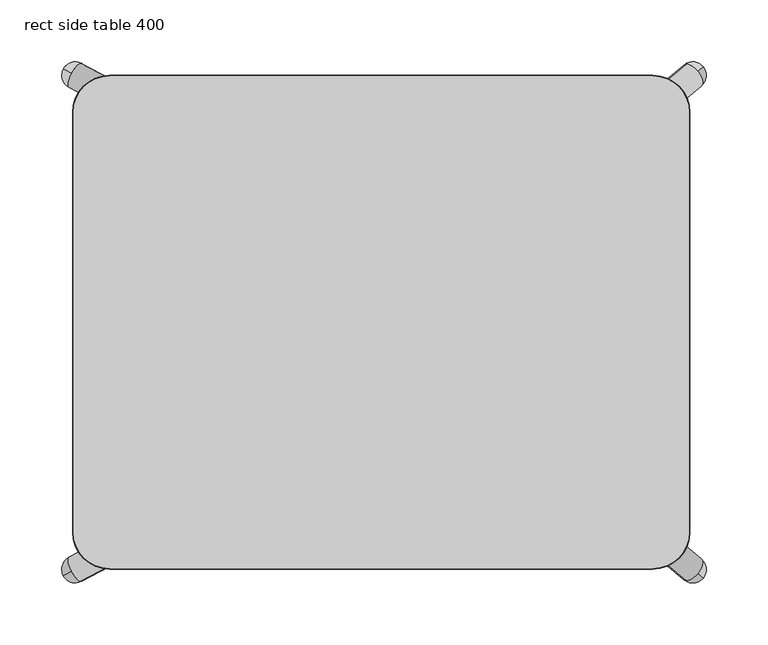
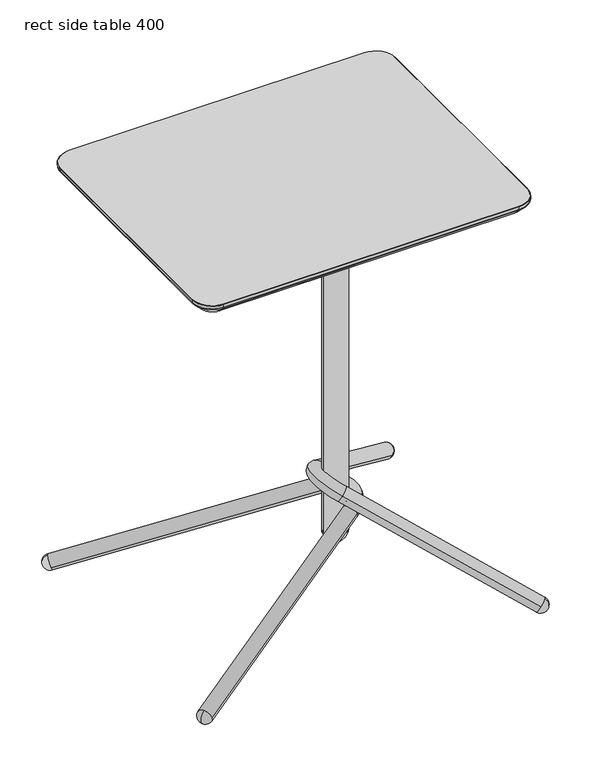
"""IFC4 building model written with IfcOpenShell, lengths in millimetres: furniture geometry, rect side table 400."""

from ifc_helpers import new_model, si_unit, point, frame, origin, place, context, project, spatial, polyline, circle_curve, ellipse_curve, trimmed, source, transform, mapped, element, save
from ifc_brep_helpers import plane_surface, cylinder_surface, revolved_surface, advanced_brep


def rect_side_table_400_71576268(model_context):
    return source(origin(), model_context, "Body", "AdvancedBrep", [
        advanced_brep(
        [(120.000041, 49.9999974, 631.9999893), (-39.999964, 49.9999974, 631.9999893), (-49.999964, 39.9999974, 631.9999893), (-49.999964, -40.0000034, 631.9999893), (-39.999964, -50.0000034, 631.9999893), (120.000041, -50.0000034, 631.9999893), (130.000041, -40.0000034, 631.9999893), (130.000041, 39.9999974, 631.9999893), (-47.4693331, 40.0000112, 631.9999893), (-32.5306167, 40.0000112, 631.9999893), (-47.4693331, -40.0000112, 631.9999893), (-32.5306167, -40.0000112, 631.9999893), (127.46941, 40.0000112, 631.9999893), (112.5306936, 40.0000112, 631.9999893), (127.46941, -40.0000112, 631.9999893), (112.5306936, -40.0000112, 631.9999893), (47.4693967, 40.0000112, 631.9999893), (32.5306803, 40.0000112, 631.9999893), (47.4693967, -40.0000112, 631.9999893), (32.5306803, -40.0000112, 631.9999893), (120.000041, 49.9999974, 627.0000038), (130.000041, 39.9999974, 627.0000038), (130.000041, -40.0000034, 627.0000038), (120.000041, -50.0000034, 627.0000038), (-39.999964, -50.0000034, 627.0000038), (-49.999964, -40.0000034, 627.0000038), (-49.999964, 39.9999974, 627.0000038), (-39.999964, 49.9999974, 627.0000038), (-47.4693331, 40.0000112, 627.0000038), (-32.5306167, 40.0000112, 627.0000038), (-47.4693331, -40.0000112, 627.0000038), (-32.5306167, -40.0000112, 627.0000038), (127.46941, 40.0000112, 627.0000038), (112.5306936, 40.0000112, 627.0000038), (127.46941, -40.0000112, 627.0000038), (112.5306936, -40.0000112, 627.0000038), (47.4693967, 40.0000112, 627.0000038), (32.5306803, 40.0000112, 627.0000038), (47.4693967, -40.0000112, 627.0000038), (32.5306803, -40.0000112, 627.0000038), (78.7484697, 0.0, 627.0000038), (43.7484682, 0.0, 627.0000038), (78.7484697, 0.0, 76.9999996), (43.7484682, 0.0, 76.9999996), (61.2484689, 0.0, 59.4999989)],
        [
            (0, 1),
            (1, 2, circle_curve(frame((-39.999964, 39.9999974, 631.9999893), z_axis=(0.0, 0.0, 1.0), x_axis=(1.0, 0.0, 0.0)), 10.0)),
            (2, 3),
            (3, 4, circle_curve(frame((-39.999964, -40.0000034, 631.9999893), z_axis=(0.0, 0.0, 1.0), x_axis=(1.0, 0.0, 0.0)), 10.0)),
            (4, 5),
            (5, 6, circle_curve(frame((120.000041, -40.0000034, 631.9999893), z_axis=(0.0, 0.0, 1.0), x_axis=(1.0, 0.0, 0.0)), 10.0)),
            (6, 7),
            (7, 0, circle_curve(frame((120.000041, 39.9999974, 631.9999893), z_axis=(0.0, 0.0, 1.0), x_axis=(1.0, 0.0, 0.0)), 10.0)),
            (8, 9, circle_curve(frame((-39.9999749, 40.0000112, 631.9999893), z_axis=(0.0, 0.0, -1.0), x_axis=(1.0, 0.0, 0.0)), 7.4693582)),
            (9, 8, circle_curve(frame((-39.9999749, 40.0000112, 631.9999893), z_axis=(0.0, 0.0, -1.0), x_axis=(1.0, 0.0, 0.0)), 7.4693582)),
            (10, 11, circle_curve(frame((-39.9999749, -40.0000112, 631.9999893), z_axis=(0.0, 0.0, -1.0), x_axis=(1.0, 0.0, 0.0)), 7.4693582)),
            (11, 10, circle_curve(frame((-39.9999749, -40.0000112, 631.9999893), z_axis=(0.0, 0.0, -1.0), x_axis=(1.0, 0.0, 0.0)), 7.4693582)),
            (12, 13, circle_curve(frame((120.0000518, 40.0000112, 631.9999893), z_axis=(0.0, 0.0, -1.0), x_axis=(-1.0, 0.0, 0.0)), 7.4693582)),
            (13, 12, circle_curve(frame((120.0000518, 40.0000112, 631.9999893), z_axis=(0.0, 0.0, -1.0), x_axis=(-1.0, 0.0, 0.0)), 7.4693582)),
            (14, 15, circle_curve(frame((120.0000518, -40.0000112, 631.9999893), z_axis=(0.0, 0.0, -1.0), x_axis=(-1.0, 0.0, 0.0)), 7.4693582)),
            (15, 14, circle_curve(frame((120.0000518, -40.0000112, 631.9999893), z_axis=(0.0, 0.0, -1.0), x_axis=(-1.0, 0.0, 0.0)), 7.4693582)),
            (16, 17, circle_curve(frame((40.0000385, 40.0000112, 631.9999893), z_axis=(0.0, 0.0, -1.0), x_axis=(-1.0, 0.0, 0.0)), 7.4693582)),
            (17, 16, circle_curve(frame((40.0000385, 40.0000112, 631.9999893), z_axis=(0.0, 0.0, -1.0), x_axis=(-1.0, 0.0, 0.0)), 7.4693582)),
            (18, 19, circle_curve(frame((40.0000385, -40.0000112, 631.9999893), z_axis=(0.0, 0.0, -1.0), x_axis=(-1.0, 0.0, 0.0)), 7.4693582)),
            (19, 18, circle_curve(frame((40.0000385, -40.0000112, 631.9999893), z_axis=(0.0, 0.0, -1.0), x_axis=(-1.0, 0.0, 0.0)), 7.4693582)),
            (20, 21, circle_curve(frame((120.000041, 39.9999974, 627.0000038), z_axis=(0.0, 0.0, -1.0), x_axis=(1.0, 0.0, 0.0)), 10.0)),
            (21, 22),
            (22, 23, circle_curve(frame((120.000041, -40.0000034, 627.0000038), z_axis=(0.0, 0.0, -1.0), x_axis=(1.0, 0.0, 0.0)), 10.0)),
            (23, 24),
            (24, 25, circle_curve(frame((-39.999964, -40.0000034, 627.0000038), z_axis=(0.0, 0.0, -1.0), x_axis=(1.0, 0.0, 0.0)), 10.0)),
            (25, 26),
            (26, 27, circle_curve(frame((-39.999964, 39.9999974, 627.0000038), z_axis=(0.0, 0.0, -1.0), x_axis=(1.0, 0.0, 0.0)), 10.0)),
            (27, 20),
            (28, 29, circle_curve(frame((-39.9999749, 40.0000112, 627.0000038), z_axis=(0.0, 0.0, 1.0), x_axis=(1.0, 0.0, 0.0)), 7.4693582)),
            (29, 28, circle_curve(frame((-39.9999749, 40.0000112, 627.0000038), z_axis=(0.0, 0.0, 1.0), x_axis=(1.0, 0.0, 0.0)), 7.4693582)),
            (30, 31, circle_curve(frame((-39.9999749, -40.0000112, 627.0000038), z_axis=(0.0, 0.0, 1.0), x_axis=(1.0, 0.0, 0.0)), 7.4693582)),
            (31, 30, circle_curve(frame((-39.9999749, -40.0000112, 627.0000038), z_axis=(0.0, 0.0, 1.0), x_axis=(1.0, 0.0, 0.0)), 7.4693582)),
            (32, 33, circle_curve(frame((120.0000518, 40.0000112, 627.0000038), z_axis=(0.0, 0.0, 1.0), x_axis=(-1.0, 0.0, 0.0)), 7.4693582)),
            (33, 32, circle_curve(frame((120.0000518, 40.0000112, 627.0000038), z_axis=(0.0, 0.0, 1.0), x_axis=(-1.0, 0.0, 0.0)), 7.4693582)),
            (34, 35, circle_curve(frame((120.0000518, -40.0000112, 627.0000038), z_axis=(0.0, 0.0, 1.0), x_axis=(-1.0, 0.0, 0.0)), 7.4693582)),
            (35, 34, circle_curve(frame((120.0000518, -40.0000112, 627.0000038), z_axis=(0.0, 0.0, 1.0), x_axis=(-1.0, 0.0, 0.0)), 7.4693582)),
            (36, 37, circle_curve(frame((40.0000385, 40.0000112, 627.0000038), z_axis=(0.0, 0.0, 1.0), x_axis=(-1.0, 0.0, 0.0)), 7.4693582)),
            (37, 36, circle_curve(frame((40.0000385, 40.0000112, 627.0000038), z_axis=(0.0, 0.0, 1.0), x_axis=(-1.0, 0.0, 0.0)), 7.4693582)),
            (38, 39, circle_curve(frame((40.0000385, -40.0000112, 627.0000038), z_axis=(0.0, 0.0, 1.0), x_axis=(-1.0, 0.0, 0.0)), 7.4693582)),
            (39, 38, circle_curve(frame((40.0000385, -40.0000112, 627.0000038), z_axis=(0.0, 0.0, 1.0), x_axis=(-1.0, 0.0, 0.0)), 7.4693582)),
            (40, 41, circle_curve(frame((61.2484689, 0.0, 627.0000038), z_axis=(0.0, 0.0, 1.0), x_axis=(-1.0, 0.0, 0.0)), 17.5000007)),
            (41, 40, circle_curve(frame((61.2484689, 0.0, 627.0000038), z_axis=(0.0, 0.0, 1.0), x_axis=(-1.0, 0.0, 0.0)), 17.5000007)),
            (0, 20),
            (27, 1),
            (26, 2),
            (25, 3),
            (24, 4),
            (23, 5),
            (22, 6),
            (21, 7),
            (8, 28),
            (29, 9),
            (10, 30),
            (31, 11),
            (12, 32),
            (33, 13),
            (14, 34),
            (35, 15),
            (16, 36),
            (37, 17),
            (18, 38),
            (39, 19),
            (42, 43, circle_curve(frame((61.2484689, 0.0, 76.9999996), z_axis=(0.0, 0.0, 1.0), x_axis=(-1.0, 0.0, 0.0)), 17.5000007)),
            (43, 41),
            (40, 42),
            (43, 42, circle_curve(frame((61.2484689, 0.0, 76.9999996), z_axis=(0.0, 0.0, 1.0), x_axis=(-1.0, 0.0, 0.0)), 17.5000007)),
            (42, 44, circle_curve(frame((61.2484689, 0.0, 76.9999996), z_axis=(0.0, 1.0, 0.0), x_axis=(-1.0, 0.0, 0.0)), 17.5000007)),
            (44, 43, circle_curve(frame((61.2484689, 0.0, 76.9999996), z_axis=(0.0, 1.0, 0.0), x_axis=(1.0, 0.0, 0.0)), 17.5000007)),
        ],
        [
            plane_surface(frame((-39.9999628, 49.9999974, 631.9999893), z_axis=(0.0, 0.0, 1.0), x_axis=(-1.0, 0.0, 0.0))),
            plane_surface(frame((-39.9999628, 49.9999974, 627.0000038), z_axis=(0.0, 0.0, -1.0), x_axis=(1.0, 0.0, 0.0))),
            plane_surface(frame((120.000041, 49.9999974, 631.9999893), z_axis=(0.0, 1.0, 0.0), x_axis=(0.0, 0.0, -1.0))),
            cylinder_surface(frame((-39.999964, 39.9999974, 627.0000038), z_axis=(0.0, 0.0, 1.0), x_axis=(1.0, 0.0, 0.0)), 10.0),
            plane_surface(frame((-49.999964, 39.9999974, 631.9999893), z_axis=(-1.0, 0.0, 0.0), x_axis=(0.0, 0.0, -1.0))),
            cylinder_surface(frame((-39.999964, -40.0000034, 627.0000038), z_axis=(0.0, 0.0, 1.0), x_axis=(1.0, 0.0, 0.0)), 10.0),
            plane_surface(frame((-39.999964, -50.0000034, 631.9999893), z_axis=(0.0, -1.0, 0.0), x_axis=(0.0, 0.0, -1.0))),
            cylinder_surface(frame((120.000041, -40.0000034, 627.0000038), z_axis=(0.0, 0.0, 1.0), x_axis=(1.0, 0.0, 0.0)), 10.0),
            plane_surface(frame((130.000041, -40.0000034, 631.9999893), z_axis=(1.0, 0.0, 0.0), x_axis=(0.0, 0.0, -1.0))),
            cylinder_surface(frame((120.000041, 39.9999974, 627.0000038), z_axis=(0.0, 0.0, 1.0), x_axis=(1.0, 0.0, 0.0)), 10.0),
            revolved_surface(polyline([(-32.530616699999996, 40.0000112, 627.0000038), (-32.530616699999996, 40.0000112, 631.9999893)]), (-39.9999749, 40.0000112, 0.0), (0.0, 0.0, -1.0)),
            revolved_surface(polyline([(-32.530616699999996, -40.0000112, 627.0000038), (-32.530616699999996, -40.0000112, 631.9999893)]), (-39.9999749, -40.0000112, 0.0), (0.0, 0.0, -1.0)),
            revolved_surface(polyline([(112.53069359999999, 40.0000112, 627.0000038), (112.53069359999999, 40.0000112, 631.9999893)]), (120.0000518, 40.0000112, 0.0), (0.0, 0.0, -1.0)),
            revolved_surface(polyline([(112.53069359999999, -40.0000112, 627.0000038), (112.53069359999999, -40.0000112, 631.9999893)]), (120.0000518, -40.0000112, 0.0), (0.0, 0.0, -1.0)),
            revolved_surface(polyline([(32.5306803, 40.0000112, 627.0000038), (32.5306803, 40.0000112, 631.9999893)]), (40.0000385, 40.0000112, 0.0), (0.0, 0.0, -1.0)),
            revolved_surface(polyline([(32.5306803, -40.0000112, 627.0000038), (32.5306803, -40.0000112, 631.9999893)]), (40.0000385, -40.0000112, 0.0), (0.0, 0.0, -1.0)),
            cylinder_surface(frame((61.2484689, 0.0, 68.2499992), z_axis=(0.0, 0.0, -1.0), x_axis=(-1.0, 0.0, 0.0)), 17.5000007),
            revolved_surface(trimmed(ellipse_curve(frame((61.2484689, 0.0, 76.9999996), z_axis=(0.0, -1.0, 0.0), x_axis=(1.0, 0.0, 0.0)), 17.5000007, 17.5000007), [point((43.7484682, 0.0, 76.9999996))], [point((61.2484689, 0.0, 59.4999989))], True, "CARTESIAN"), (61.2484689, 0.0, 68.2499992), (0.0, 0.0, -1.0)),
        ],
        [
            (0, [[1, 2, 3, 4, 5, 6, 7, 8], [9, 10], [11, 12], [13, 14], [15, 16], [17, 18], [19, 20]]),
            (1, [[21, 22, 23, 24, 25, 26, 27, 28], [29, 30], [31, 32], [33, 34], [35, 36], [37, 38], [39, 40], [41, 42]]),
            (2, [[-1, 43, -28, 44]]),
            (3, [[-2, -44, -27, 45]]),
            (4, [[-3, -45, -26, 46]]),
            (5, [[-4, -46, -25, 47]]),
            (6, [[-5, -47, -24, 48]]),
            (7, [[-6, -48, -23, 49]]),
            (8, [[-7, -49, -22, 50]]),
            (9, [[-8, -50, -21, -43]]),
            (10, [[-9, 51, -30, 52]]),
            (10, [[-10, -52, -29, -51]]),
            (11, [[-11, 53, -32, 54]]),
            (11, [[-12, -54, -31, -53]]),
            (12, [[-13, 55, -34, 56]]),
            (12, [[-14, -56, -33, -55]]),
            (13, [[-15, 57, -36, 58]]),
            (13, [[-16, -58, -35, -57]]),
            (14, [[-17, 59, -38, 60]]),
            (14, [[-18, -60, -37, -59]]),
            (15, [[-19, 61, -40, 62]]),
            (15, [[-20, -62, -39, -61]]),
            (16, [[63, 64, -41, 65]]),
            (16, [[66, -65, -42, -64]]),
            (17, [[-63, 67, 68]]),
            (17, [[-66, -68, -67]]),
        ],
    ),
        advanced_brep(
        [(58.7468351, 25.9816516, 122.5540056), (67.9302472, 45.69187, 125.8964943), (-243.1827803, 209.8487928, 12.6606128), (-250.7555988, 201.5666496, 21.4602207), (-252.3661924, 190.1385743, 9.3181241), (-244.7933739, 198.4207175, 0.5185162), (58.7468351, -25.9816516, 122.5540056), (67.9302472, -45.69187, 125.8964943), (-252.3661924, -190.1385743, 9.3181241), (-250.7555988, -201.5666496, 21.4602207), (-243.1827803, -209.8487928, 12.6606128), (-244.7933739, -198.4207175, 0.5185162), (-257.0352597, 204.8800751, 7.6187226), (-257.0352597, -204.8800751, 7.6187226)],
        [
            (0, 1, circle_curve(frame((63.3385411, 35.8367608, 124.22525), z_axis=(-0.8418884918336852, 0.4442174127144383, -0.3064223515987259), x_axis=(0.41742782475236617, 0.8959190199126763, 0.15193130316434977)), 11.0)),
            (1, 2),
            (2, 3, circle_curve(frame((-247.7744863, 199.9936836, 10.9893685), z_axis=(0.8418884918336852, -0.4442174127144383, 0.3064223515987259), x_axis=(0.41742782475236617, 0.8959190199126763, 0.15193130316434977)), 11.0)),
            (3, 4, circle_curve(frame((-247.7744863, 199.9936836, 10.9893685), z_axis=(0.8418884918336852, -0.4442174127144383, 0.3064223515987259), x_axis=(0.41742782475236617, 0.8959190199126763, 0.15193130316434977)), 11.0)),
            (4, 0),
            (1, 0, circle_curve(frame((63.3385411, 35.8367608, 124.22525), z_axis=(-0.8418884918336852, 0.4442174127144383, -0.3064223515987259), x_axis=(0.41742782475236617, 0.8959190199126763, 0.15193130316434977)), 11.0)),
            (4, 5, circle_curve(frame((-247.7744863, 199.9936836, 10.9893685), z_axis=(0.8418884918336852, -0.4442174127144383, 0.3064223515987259), x_axis=(0.41742782475236617, 0.8959190199126763, 0.15193130316434977)), 11.0)),
            (5, 2, circle_curve(frame((-247.7744863, 199.9936836, 10.9893685), z_axis=(0.8418884918336852, -0.4442174127144383, 0.3064223515987259), x_axis=(0.41742782475236617, 0.8959190199126763, 0.15193130316434977)), 11.0)),
            (0, 6, circle_curve(frame((46.6414281, 0.0, 118.1479978), z_axis=(0.3420201433256684, 0.0, -0.9396926207859085), x_axis=(0.4174278247523651, 0.8959190199126768, 0.1519313031643494)), 29.0)),
            (6, 7, circle_curve(frame((63.3385411, -35.8367608, 124.22525), z_axis=(0.8418884918336889, 0.4442174127144305, 0.3064223515987277), x_axis=(0.41742782475235873, -0.8959190199126802, 0.15193130316434714)), 11.0)),
            (7, 1, circle_curve(frame((46.6414281, 0.0, 118.1479978), z_axis=(-0.3420201433256684, 0.0, 0.9396926207859085), x_axis=(0.4174278247523651, 0.8959190199126768, 0.1519313031643494)), 51.0)),
            (7, 6, circle_curve(frame((63.3385411, -35.8367608, 124.22525), z_axis=(0.841888491833687, 0.44421741271443393, 0.30642235159872705), x_axis=(0.417427824752362, -0.8959190199126783, 0.1519313031643483)), 11.0)),
            (6, 8),
            (8, 9, circle_curve(frame((-247.7744863, -199.9936836, 10.9893685), z_axis=(0.8418884918336853, 0.44421741271443815, 0.3064223515987258), x_axis=(0.41742782475236606, -0.8959190199126764, 0.15193130316434972)), 11.0)),
            (9, 10, circle_curve(frame((-247.7744863, -199.9936836, 10.9893685), z_axis=(0.8418884918336853, 0.44421741271443815, 0.3064223515987258), x_axis=(0.41742782475236606, -0.8959190199126764, 0.15193130316434972)), 11.0)),
            (10, 7),
            (10, 11, circle_curve(frame((-247.7744863, -199.9936836, 10.9893685), z_axis=(0.8418884918336853, 0.44421741271443815, 0.3064223515987258), x_axis=(0.41742782475236606, -0.8959190199126764, 0.15193130316434972)), 11.0)),
            (11, 8, circle_curve(frame((-247.7744863, -199.9936836, 10.9893685), z_axis=(0.8418884918336853, 0.44421741271443815, 0.3064223515987258), x_axis=(0.41742782475236606, -0.8959190199126764, 0.15193130316434972)), 11.0)),
            (12, 5, circle_curve(frame((-247.7744863, 199.9936836, 10.9893685), z_axis=(-0.4666660776258414, -0.8844335882322155, 0.0), x_axis=(0.8418884918336733, -0.444217412714551, 0.3064223515985954)), 11.0)),
            (3, 12, circle_curve(frame((-247.7744863, 199.9936836, 10.9893685), z_axis=(-0.4666660776256579, -0.8844335882323123, 0.0), x_axis=(0.8418884918336986, -0.4442174127143191, 0.3064223515988623)), 11.0)),
            (11, 13, circle_curve(frame((-247.7744863, -199.9936836, 10.9893685), z_axis=(-0.4666660776258414, 0.8844335882322155, 0.0), x_axis=(0.8418884918336733, 0.444217412714551, 0.3064223515985954)), 11.0)),
            (13, 9, circle_curve(frame((-247.7744863, -199.9936836, 10.9893685), z_axis=(-0.4666660776256579, 0.8844335882323123, 0.0), x_axis=(0.8418884918336986, 0.4442174127143191, 0.3064223515988623)), 11.0)),
        ],
        [
            cylinder_surface(frame((-277.9675281, 215.9248609, 0.0), z_axis=(-0.8418884918336854, 0.44421741271443843, -0.30642235159872594), x_axis=(0.41742782475236617, 0.8959190199126763, 0.15193130316434977)), 11.0),
            revolved_surface(trimmed(ellipse_curve(frame((63.3385411, 35.8367608, 124.22525), z_axis=(-0.8418884918336861, 0.444217412714437, -0.3064223515987256), x_axis=(0.41742782475236484, 0.8959190199126769, 0.15193130316434933)), 11.0, 11.0), [point((58.7468351, 25.9816516, 122.5540056))], [point((67.9302472, 45.69187, 125.8964943))], True, "CARTESIAN"), (46.6414281, 0.0, 118.1479978), (0.3420201433256684, 0.0, -0.9396926207859085)),
            revolved_surface(trimmed(ellipse_curve(frame((63.3385411, 35.8367608, 124.22525), z_axis=(-0.8418884918336861, 0.444217412714437, -0.3064223515987256), x_axis=(0.41742782475236484, 0.8959190199126769, 0.15193130316434933)), 11.0, 11.0), [point((67.9302472, 45.69187, 125.8964943))], [point((58.7468351, 25.9816516, 122.5540056))], True, "CARTESIAN"), (46.6414281, 0.0, 118.1479978), (0.3420201433256684, 0.0, -0.9396926207859085)),
            cylinder_surface(frame((63.3385411, -35.8367608, 124.22525), z_axis=(0.8418884918336855, 0.44421741271443826, 0.30642235159872583), x_axis=(0.41742782475236606, -0.8959190199126764, 0.15193130316434972)), 11.0),
            revolved_surface(trimmed(ellipse_curve(frame((-247.7744863, 199.9936836, 10.9893685), z_axis=(0.4666660776256579, 0.8844335882323123, 0.0), x_axis=(0.8418884918336986, -0.4442174127143191, 0.3064223515988623)), 11.0, 11.0), [point((-257.0352597, 204.8800751, 7.6187226))], [point((-250.7555988, 201.5666496, 21.4602207))], True, "CARTESIAN"), (-251.664601, 202.0462792, 9.5734825), (0.841888491833686, -0.44421741271443504, 0.3064223515987288)),
            revolved_surface(trimmed(ellipse_curve(frame((-247.7744863, 199.9936836, 10.9893685), z_axis=(0.46666607762565526, 0.8844335882323138, 0.0), x_axis=(0.8418884918337001, -0.44421741271431625, 0.3064223515988623)), 11.0, 11.0), [point((-257.0352597, 204.8800751, 7.6187226))], [point((-250.7555988, 201.5666496, 21.4602207))], True, "CARTESIAN"), (-251.664601, 202.0462792, 9.5734825), (0.841888491833686, -0.44421741271443504, 0.3064223515987288)),
            revolved_surface(trimmed(ellipse_curve(frame((-247.7744863, -199.9936836, 10.9893685), z_axis=(0.4666660776256579, -0.8844335882323123, 0.0), x_axis=(0.8418884918336986, 0.4442174127143191, 0.3064223515988623)), 11.0, 11.0), [point((-250.7555988, -201.5666496, 21.4602207))], [point((-257.0352597, -204.8800751, 7.6187226))], True, "CARTESIAN"), (-251.664601, -202.0462792, 9.5734825), (-0.841888491833686, -0.44421741271443504, -0.3064223515987288)),
            revolved_surface(trimmed(ellipse_curve(frame((-247.7744863, -199.9936836, 10.9893685), z_axis=(0.46666607762565526, -0.8844335882323138, 0.0), x_axis=(0.8418884918337001, 0.44421741271431625, 0.3064223515988623)), 11.0, 11.0), [point((-250.7555988, -201.5666496, 21.4602207))], [point((-257.0352597, -204.8800751, 7.6187226))], True, "CARTESIAN"), (-251.664601, -202.0462792, 9.5734825), (-0.841888491833686, -0.44421741271443504, -0.3064223515987288)),
        ],
        [
            (0, [[1, 2, 3, 4, 5]]),
            (0, [[6, -5, 7, 8, -2]]),
            (1, [[-1, 9, 10, 11]]),
            (2, [[-6, -11, 12, -9]]),
            (3, [[-10, 13, 14, 15, 16]]),
            (3, [[-12, -16, 17, 18, -13]]),
            (4, [[19, -7, -4, 20]]),
            (5, [[-19, -20, -3, -8]]),
            (6, [[21, 22, -14, -18]]),
            (7, [[-21, -17, -15, -22]]),
        ],
    ),
        advanced_brep(
        [(57.5144405, 23.9910848, 150.6373501), (47.4708105, 42.1912168, 157.8401753), (247.2031924, 209.1000136, 14.6013824), (248.155534, 196.5992426, 1.3628234), (257.2468224, 190.8998816, 7.3985572), (256.2944809, 203.4006527, 20.6371162), (57.5144414, -23.9910822, 150.6373494), (47.4708121, -42.1912148, 157.8401741), (257.2468303, -190.8998679, 7.3985515), (248.1555419, -196.5992292, 1.3628176), (247.203201, -209.1000005, 14.6013763), (256.2944894, -203.4006392, 20.6371102), (259.6200001, -206.1796424, 5.6966243), (259.6199917, 206.1796563, 5.6966303)],
        [
            (0, 1, circle_curve(frame((52.4926255, 33.0911508, 154.2387627), z_axis=(0.6722712955826541, 0.5617916936357265, -0.4821217668779558), x_axis=(-0.45652863681473854, 0.8272787274926765, 0.3274011466170734)), 11.0)),
            (1, 2),
            (2, 3, circle_curve(frame((252.2250074, 199.9999476, 10.9999698), z_axis=(-0.6722712955826541, -0.5617916936357265, 0.4821217668779558), x_axis=(-0.45652863681473854, 0.8272787274926765, 0.3274011466170734)), 11.0)),
            (3, 4, circle_curve(frame((252.2250074, 199.9999476, 10.9999698), z_axis=(-0.6722712955826541, -0.5617916936357265, 0.4821217668779558), x_axis=(-0.45652863681473854, 0.8272787274926765, 0.3274011466170734)), 11.0)),
            (4, 0),
            (1, 0, circle_curve(frame((52.4926255, 33.0911508, 154.2387627), z_axis=(0.6722712955826541, 0.5617916936357265, -0.4821217668779558), x_axis=(-0.45652863681473854, 0.8272787274926765, 0.3274011466170734)), 11.0)),
            (4, 5, circle_curve(frame((252.2250074, 199.9999476, 10.9999698), z_axis=(-0.6722712955826541, -0.5617916936357265, 0.4821217668779558), x_axis=(-0.45652863681473854, 0.8272787274926765, 0.3274011466170734)), 11.0)),
            (5, 2, circle_curve(frame((252.2250074, 199.9999476, 10.9999698), z_axis=(-0.6722712955826541, -0.5617916936357265, 0.4821217668779558), x_axis=(-0.45652863681473854, 0.8272787274926765, 0.3274011466170734)), 11.0)),
            (0, 6, circle_curve(frame((70.753771, 1.7e-06, 141.1427168), z_axis=(0.5827803264556007, 0.0, 0.8126297380088324), x_axis=(-0.45652863681474215, 0.8272787274926735, 0.32740114661707603)), 29.0)),
            (6, 7, circle_curve(frame((52.4926268, -33.0911485, 154.2387618), z_axis=(-0.6722713171214564, 0.5617916546051102, 0.48212178232458525), x_axis=(-0.4565286050972992, -0.8272787539977398, 0.3274011238707981)), 11.0)),
            (7, 1, circle_curve(frame((70.753771, 1.7e-06, 141.1427168), z_axis=(-0.5827803264556007, 0.0, -0.8126297380088324), x_axis=(-0.45652863681474215, 0.8272787274926735, 0.32740114661707603)), 51.0)),
            (7, 6, circle_curve(frame((52.4926268, -33.0911485, 154.2387618), z_axis=(-0.6722713171214549, 0.5617916546051127, 0.48212178232458425), x_axis=(-0.4565286050973013, -0.8272787539977379, 0.32740112387079956)), 11.0)),
            (6, 8),
            (8, 9, circle_curve(frame((252.2250156, -199.9999342, 10.9999639), z_axis=(-0.6722713171214557, 0.5617916546051115, 0.4821217823245848), x_axis=(-0.4565286050973002, -0.8272787539977388, 0.32740112387079884)), 11.0)),
            (9, 10, circle_curve(frame((252.2250156, -199.9999342, 10.9999639), z_axis=(-0.6722713171214557, 0.5617916546051115, 0.4821217823245848), x_axis=(-0.4565286050973002, -0.8272787539977388, 0.32740112387079884)), 11.0)),
            (10, 7),
            (10, 11, circle_curve(frame((252.2250156, -199.9999342, 10.9999639), z_axis=(-0.6722713171214557, 0.5617916546051115, 0.4821217823245848), x_axis=(-0.4565286050973002, -0.8272787539977388, 0.32740112387079884)), 11.0)),
            (11, 8, circle_curve(frame((252.2250156, -199.9999342, 10.9999639), z_axis=(-0.6722713171214557, 0.5617916546051115, 0.4821217823245848), x_axis=(-0.4565286050973002, -0.8272787539977388, 0.32740112387079884)), 11.0)),
            (9, 12, circle_curve(frame((252.2250156, -199.9999342, 10.9999639), z_axis=(-0.6412383916308781, -0.7673417264157115, 0.0), x_axis=(0.6722713171215275, -0.5617916546050223, -0.48212178232458835)), 11.0)),
            (12, 11, circle_curve(frame((252.2250156, -199.9999342, 10.9999639), z_axis=(-0.6412383916310379, -0.7673417264155782, 0.0), x_axis=(0.6722713171213701, -0.561791654605198, -0.4821217823246031)), 11.0)),
            (13, 3, circle_curve(frame((252.2250074, 199.9999476, 10.9999698), z_axis=(-0.6412384299595593, 0.7673416943858841, 0.0), x_axis=(0.3699521735068246, 0.30915503827734025, 0.8761041899370832)), 11.0)),
            (5, 13, circle_curve(frame((252.2250074, 199.9999476, 10.9999698), z_axis=(-0.6412384299596511, 0.7673416943858073, 0.0), x_axis=(-0.36995209348604097, -0.30915497140700227, -0.8761042473242733)), 11.0)),
        ],
        [
            cylinder_surface(frame((267.5633813, 212.8176466, 0.0), z_axis=(0.6722712955826541, 0.5617916936357265, -0.4821217668779558), x_axis=(-0.45652863681473854, 0.8272787274926765, 0.3274011466170734)), 11.0),
            revolved_surface(trimmed(ellipse_curve(frame((52.4926255, 33.0911508, 154.2387627), z_axis=(0.6722712955826515, 0.5617916936357309, -0.4821217668779542), x_axis=(-0.4565286368147422, 0.8272787274926735, 0.3274011466170759)), 11.0, 11.0), [point((57.5144405, 23.9910848, 150.6373501))], [point((47.4708105, 42.1912168, 157.8401753))], True, "CARTESIAN"), (70.753771, 1.7e-06, 141.1427168), (0.5827803264556007, 0.0, 0.8126297380088324)),
            revolved_surface(trimmed(ellipse_curve(frame((52.4926255, 33.0911508, 154.2387627), z_axis=(0.6722712955826515, 0.5617916936357309, -0.4821217668779542), x_axis=(-0.4565286368147422, 0.8272787274926735, 0.3274011466170759)), 11.0, 11.0), [point((47.4708105, 42.1912168, 157.8401753))], [point((57.5144405, 23.9910848, 150.6373501))], True, "CARTESIAN"), (70.753771, 1.7e-06, 141.1427168), (0.5827803264556007, 0.0, 0.8126297380088324)),
            cylinder_surface(frame((52.4926268, -33.0911485, 154.2387618), z_axis=(-0.6722713171214557, 0.5617916546051115, 0.4821217823245848), x_axis=(-0.4565286050973002, -0.8272787539977388, 0.32740112387079884)), 11.0),
            revolved_surface(trimmed(ellipse_curve(frame((252.2250156, -199.9999342, 10.9999639), z_axis=(0.6412383916310379, 0.7673417264155782, 0.0), x_axis=(0.6722713171213701, -0.561791654605198, -0.4821217823246031)), 11.0, 11.0), [point((256.2944894, -203.4006392, 20.6371102))], [point((259.6200001, -206.1796424, 5.6966243))], True, "CARTESIAN"), (265.0520868, -210.7190313, 1.8009838), (0.6722713171214488, -0.5617916546051102, -0.48212178232459574)),
            revolved_surface(trimmed(ellipse_curve(frame((252.2250156, -199.9999342, 10.9999639), z_axis=(0.6412383916310401, 0.7673417264155763, 0.0), x_axis=(0.672271317121368, -0.5617916546052005, -0.4821217823246031)), 11.0, 11.0), [point((256.2944894, -203.4006392, 20.6371102))], [point((259.6200001, -206.1796424, 5.6966243))], True, "CARTESIAN"), (265.0520868, -210.7190313, 1.8009838), (0.6722713171214488, -0.5617916546051102, -0.48212178232459574)),
            revolved_surface(trimmed(ellipse_curve(frame((252.2250074, 199.9999476, 10.9999698), z_axis=(0.6412384299596511, -0.7673416943858073, 0.0), x_axis=(-0.36995209348604097, -0.30915497140700227, -0.8761042473242733)), 11.0, 11.0), [point((259.6199917, 206.1796563, 5.6966303))], [point((256.2944809, 203.4006527, 20.6371162))], True, "CARTESIAN"), (267.5633813, 212.8176466, 0.0), (-0.6722712955826509, -0.5617916936357265, 0.48212176687796016)),
            revolved_surface(trimmed(ellipse_curve(frame((252.2250074, 199.9999476, 10.9999698), z_axis=(0.6412384299596525, -0.7673416943858062, 0.0), x_axis=(-0.36995209348604097, -0.30915497140700227, -0.8761042473242733)), 11.0, 11.0), [point((259.6199917, 206.1796563, 5.6966303))], [point((256.2944809, 203.4006527, 20.6371162))], True, "CARTESIAN"), (267.5633813, 212.8176466, 0.0), (-0.6722712955826509, -0.5617916936357265, 0.48212176687796016)),
        ],
        [
            (0, [[1, 2, 3, 4, 5]]),
            (0, [[6, -5, 7, 8, -2]]),
            (1, [[-1, 9, 10, 11]]),
            (2, [[-6, -11, 12, -9]]),
            (3, [[-10, 13, 14, 15, 16]]),
            (3, [[-12, -16, 17, 18, -13]]),
            (4, [[19, 20, -17, -15]]),
            (5, [[-19, -14, -18, -20]]),
            (6, [[21, -3, -8, 22]]),
            (7, [[-21, -22, -7, -4]]),
        ],
    ),
        advanced_brep(
        [(-220.0, 199.4417767, 650.0), (-249.4417767, 170.0, 650.0), (-249.4417767, -170.0, 650.0), (-220.0, -199.4417767, 650.0), (220.0, -199.4417767, 650.0), (249.4417767, -170.0, 650.0), (249.4417767, 170.0, 650.0), (220.0, 199.4417767, 650.0), (-237.9999573, 170.0, 631.9999893), (-220.0, 187.9999573, 631.9999893), (220.0, 187.9999573, 631.9999893), (237.9999573, 170.0, 631.9999893), (237.9999573, -170.0, 631.9999893), (220.0, -187.9999573, 631.9999893), (-220.0, -187.9999573, 631.9999893), (-237.9999573, -170.0, 631.9999893), (-250.0, 170.0, 649.4417767), (-220.0, 200.0, 649.4417767), (-249.3493468, 170.0, 643.3493788), (-220.0, 199.3493468, 643.3493788), (-250.0, -170.0, 649.4417767), (-249.3493468, -170.0, 643.3493788), (-220.0, -200.0, 649.4417767), (-220.0, -199.3493468, 643.3493788), (220.0, -200.0, 649.4417767), (220.0, -199.3493468, 643.3493788), (250.0, -170.0, 649.4417767), (249.3493468, -170.0, 643.3493788), (250.0, 170.0, 649.4417767), (249.3493468, 170.0, 643.3493788), (220.0, 200.0, 649.4417767), (220.0, 199.3493468, 643.3493788), (-250.0, 170.0, 644.9201946), (-220.0, 200.0, 644.9201946), (-250.0, -170.0, 644.9201946), (-220.0, -200.0, 644.9201946), (220.0, -200.0, 644.9201946), (250.0, -170.0, 644.9201946), (250.0, 170.0, 644.9201946), (220.0, 200.0, 644.9201946)],
        [
            (0, 1, circle_curve(frame((-220.0, 170.0, 650.0), z_axis=(0.0, 0.0, 1.0), x_axis=(0.0, 1.0, 0.0)), 29.4417767)),
            (1, 2),
            (2, 3, circle_curve(frame((-220.0, -170.0, 650.0), z_axis=(0.0, 0.0, 1.0), x_axis=(-1.0, 0.0, 0.0)), 29.4417767)),
            (3, 4),
            (4, 5, circle_curve(frame((220.0, -170.0, 650.0), z_axis=(0.0, 0.0, 1.0), x_axis=(0.0, -1.0, 0.0)), 29.4417767)),
            (5, 6),
            (6, 7, circle_curve(frame((220.0, 170.0, 650.0), z_axis=(0.0, 0.0, 1.0), x_axis=(1.0, 0.0, 0.0)), 29.4417767)),
            (7, 0),
            (8, 9, circle_curve(frame((-220.0, 170.0, 631.9999893), z_axis=(0.0, 0.0, -1.0), x_axis=(0.0, 1.0, 0.0)), 17.9999573)),
            (9, 10),
            (10, 11, circle_curve(frame((220.0, 170.0, 631.9999893), z_axis=(0.0, 0.0, -1.0), x_axis=(1.0, 0.0, 0.0)), 17.9999573)),
            (11, 12),
            (12, 13, circle_curve(frame((220.0, -170.0, 631.9999893), z_axis=(0.0, 0.0, -1.0), x_axis=(0.0, -1.0, 0.0)), 17.9999573)),
            (13, 14),
            (14, 15, circle_curve(frame((-220.0, -170.0, 631.9999893), z_axis=(0.0, 0.0, -1.0), x_axis=(-1.0, 0.0, 0.0)), 17.9999573)),
            (15, 8),
            (16, 1),
            (0, 17),
            (17, 16, circle_curve(frame((-220.0, 170.0, 649.4417767), z_axis=(0.0, 0.0, 1.0), x_axis=(0.0, 1.0, 0.0)), 30.0)),
            (8, 18),
            (18, 19, circle_curve(frame((-220.0, 170.0, 643.3493788), z_axis=(0.0, 0.0, -1.0), x_axis=(0.0, 1.0, 0.0)), 29.3493468)),
            (19, 9),
            (16, 20),
            (20, 2),
            (15, 21),
            (21, 18),
            (20, 22, circle_curve(frame((-220.0, -170.0, 649.4417767), z_axis=(0.0, 0.0, 1.0), x_axis=(-1.0, 0.0, 0.0)), 30.0)),
            (22, 3),
            (14, 23),
            (23, 21, circle_curve(frame((-220.0, -170.0, 643.3493788), z_axis=(0.0, 0.0, -1.0), x_axis=(-1.0, 0.0, 0.0)), 29.3493468)),
            (22, 24),
            (24, 4),
            (13, 25),
            (25, 23),
            (24, 26, circle_curve(frame((220.0, -170.0, 649.4417767), z_axis=(0.0, 0.0, 1.0), x_axis=(0.0, -1.0, 0.0)), 30.0)),
            (26, 5),
            (12, 27),
            (27, 25, circle_curve(frame((220.0, -170.0, 643.3493788), z_axis=(0.0, 0.0, -1.0), x_axis=(0.0, -1.0, 0.0)), 29.3493468)),
            (26, 28),
            (28, 6),
            (11, 29),
            (29, 27),
            (28, 30, circle_curve(frame((220.0, 170.0, 649.4417767), z_axis=(0.0, 0.0, 1.0), x_axis=(1.0, 0.0, 0.0)), 30.0)),
            (30, 7),
            (10, 31),
            (31, 29, circle_curve(frame((220.0, 170.0, 643.3493788), z_axis=(0.0, 0.0, -1.0), x_axis=(1.0, 0.0, 0.0)), 29.3493468)),
            (30, 17),
            (19, 31),
            (18, 32, circle_curve(frame((-247.778531, 170.0, 644.9201946), z_axis=(0.0, 1.0, 0.0), x_axis=(1.0, 0.0, 0.0)), 2.221469)),
            (32, 33, circle_curve(frame((-220.0, 170.0, 644.9201946), z_axis=(0.0, 0.0, -1.0), x_axis=(0.0, 1.0, 0.0)), 30.0)),
            (33, 19, circle_curve(frame((-220.0, 197.778531, 644.9201946), z_axis=(-1.0, 0.0, 0.0), x_axis=(0.0, -1.0, 0.0)), 2.221469)),
            (21, 34, circle_curve(frame((-247.778531, -170.0, 644.9201946), z_axis=(0.0, 1.0, 0.0), x_axis=(1.0, 0.0, 0.0)), 2.221469)),
            (34, 32),
            (23, 35, circle_curve(frame((-220.0, -197.778531, 644.9201946), z_axis=(-1.0, 0.0, 0.0), x_axis=(0.0, 1.0, 0.0)), 2.221469)),
            (35, 34, circle_curve(frame((-220.0, -170.0, 644.9201946), z_axis=(0.0, 0.0, -1.0), x_axis=(-1.0, 0.0, 0.0)), 30.0)),
            (25, 36, circle_curve(frame((220.0, -197.778531, 644.9201946), z_axis=(-1.0, 0.0, 0.0), x_axis=(0.0, 1.0, 0.0)), 2.221469)),
            (36, 35),
            (27, 37, circle_curve(frame((247.778531, -170.0, 644.9201946), z_axis=(0.0, -1.0, 0.0), x_axis=(-1.0, 0.0, 0.0)), 2.221469)),
            (37, 36, circle_curve(frame((220.0, -170.0, 644.9201946), z_axis=(0.0, 0.0, -1.0), x_axis=(0.0, -1.0, 0.0)), 30.0)),
            (29, 38, circle_curve(frame((247.778531, 170.0, 644.9201946), z_axis=(0.0, -1.0, 0.0), x_axis=(-1.0, 0.0, 0.0)), 2.221469)),
            (38, 37),
            (31, 39, circle_curve(frame((220.0, 197.778531, 644.9201946), z_axis=(1.0, 0.0, 0.0), x_axis=(0.0, -1.0, 0.0)), 2.221469)),
            (39, 38, circle_curve(frame((220.0, 170.0, 644.9201946), z_axis=(0.0, 0.0, -1.0), x_axis=(1.0, 0.0, 0.0)), 30.0)),
            (33, 39),
            (22, 35),
            (36, 24),
            (37, 26),
            (38, 28),
            (39, 30),
            (33, 17),
            (32, 16),
            (34, 20),
        ],
        [
            plane_surface(frame((2000.0, -200.0, 650.0), z_axis=(0.0, 0.0, 1.0), x_axis=(1.0, 0.0, 0.0))),
            plane_surface(frame((2000.0, -200.0, 631.9999893), z_axis=(0.0, 0.0, -1.0), x_axis=(-1.0, 0.0, 0.0))),
            revolved_surface(polyline([(-220.0, 200.0, 649.4417767), (-220.0, 199.4417767, 650.0)]), (-220.0, 170.0, 0.0), (0.0, 0.0, 1.0)),
            revolved_surface(polyline([(-220.0, 187.9999573, 631.9999893), (-220.0, 199.3493468, 643.3493788)]), (-220.0, 170.0, 0.0), (0.0, 0.0, 1.0)),
            plane_surface(frame((-249.4417767, 170.0, 650.0), z_axis=(-0.7071067811865476, 0.0, 0.7071067811865476), x_axis=(0.0, -1.0, 0.0))),
            plane_surface(frame((-249.3493468, 170.0, 643.3493788), z_axis=(-0.7071067811865486, 0.0, -0.7071067811865466), x_axis=(0.0, -1.0, 0.0))),
            revolved_surface(polyline([(-250.0, -170.0, 649.4417767), (-249.4417767, -170.0, 650.0)]), (-220.0, -170.0, 0.0), (0.0, 0.0, 1.0)),
            revolved_surface(polyline([(-237.9999573, -170.0, 631.9999893), (-249.3493468, -170.0, 643.3493788)]), (-220.0, -170.0, 0.0), (0.0, 0.0, 1.0)),
            plane_surface(frame((-220.0, -199.4417767, 650.0), z_axis=(0.0, -0.7071067811865476, 0.7071067811865476), x_axis=(1.0, 0.0, 0.0))),
            plane_surface(frame((-220.0, -199.3493468, 643.3493788), z_axis=(0.0, -0.7071067811865486, -0.7071067811865466), x_axis=(1.0, 0.0, 0.0))),
            revolved_surface(polyline([(220.0, -200.0, 649.4417767), (220.0, -199.4417767, 650.0)]), (220.0, -170.0, 0.0), (0.0, 0.0, 1.0)),
            revolved_surface(polyline([(220.0, -187.9999573, 631.9999893), (220.0, -199.3493468, 643.3493788)]), (220.0, -170.0, 0.0), (0.0, 0.0, 1.0)),
            plane_surface(frame((249.4417767, -170.0, 650.0), z_axis=(0.7071067811865476, 0.0, 0.7071067811865476), x_axis=(0.0, 1.0, 0.0))),
            plane_surface(frame((249.3493468, -170.0, 643.3493788), z_axis=(0.7071067811865486, 0.0, -0.7071067811865466), x_axis=(0.0, 1.0, 0.0))),
            revolved_surface(polyline([(250.0, 170.0, 649.4417767), (249.4417767, 170.0, 650.0)]), (220.0, 170.0, 0.0), (0.0, 0.0, 1.0)),
            revolved_surface(polyline([(237.9999573, 170.0, 631.9999893), (249.3493468, 170.0, 643.3493788)]), (220.0, 170.0, 0.0), (0.0, 0.0, 1.0)),
            plane_surface(frame((220.0, 199.4417767, 650.0), z_axis=(0.0, 0.7071067811865476, 0.7071067811865476), x_axis=(-1.0, 0.0, 0.0))),
            plane_surface(frame((220.0, 199.3493468, 643.3493788), z_axis=(0.0, 0.7071067811865486, -0.7071067811865466), x_axis=(-1.0, 0.0, 0.0))),
            revolved_surface(trimmed(ellipse_curve(frame((-220.0, 197.778531, 644.9201946), z_axis=(1.0, 0.0, 0.0), x_axis=(0.0, -1.0, 0.0)), 2.221469, 2.221469), [point((-220.0, 199.3493468, 643.3493788))], [point((-220.0, 200.0, 644.9201946))], True, "CARTESIAN"), (-220.0, 170.0, 0.0), (0.0, 0.0, 1.0)),
            cylinder_surface(frame((-247.778531, 170.0, 644.9201946), z_axis=(0.0, -1.0, 0.0), x_axis=(1.0, 0.0, 0.0)), 2.221469),
            revolved_surface(trimmed(ellipse_curve(frame((-247.778531, -170.0, 644.9201946), z_axis=(0.0, 1.0, 0.0), x_axis=(1.0, 0.0, 0.0)), 2.221469, 2.221469), [point((-249.3493468, -170.0, 643.3493788))], [point((-250.0, -170.0, 644.9201946))], True, "CARTESIAN"), (-220.0, -170.0, 0.0), (0.0, 0.0, 1.0)),
            cylinder_surface(frame((-220.0, -197.778531, 644.9201946), z_axis=(1.0, 0.0, 0.0), x_axis=(0.0, 1.0, 0.0)), 2.221469),
            revolved_surface(trimmed(ellipse_curve(frame((220.0, -197.778531, 644.9201946), z_axis=(-1.0, 0.0, 0.0), x_axis=(0.0, 1.0, 0.0)), 2.221469, 2.221469), [point((220.0, -199.3493468, 643.3493788))], [point((220.0, -200.0, 644.9201946))], True, "CARTESIAN"), (220.0, -170.0, 0.0), (0.0, 0.0, 1.0)),
            cylinder_surface(frame((247.778531, -170.0, 644.9201946), z_axis=(0.0, 1.0, 0.0), x_axis=(-1.0, 0.0, 0.0)), 2.221469),
            revolved_surface(trimmed(ellipse_curve(frame((247.778531, 170.0, 644.9201946), z_axis=(0.0, -1.0, 0.0), x_axis=(-1.0, 0.0, 0.0)), 2.221469, 2.221469), [point((249.3493468, 170.0, 643.3493788))], [point((250.0, 170.0, 644.9201946))], True, "CARTESIAN"), (220.0, 170.0, 0.0), (0.0, 0.0, 1.0)),
            cylinder_surface(frame((220.0, 197.778531, 644.9201946), z_axis=(-1.0, 0.0, 0.0), x_axis=(0.0, -1.0, 0.0)), 2.221469),
            plane_surface(frame((-220.0, -200.0, 650.0), z_axis=(0.0, -1.0, 0.0), x_axis=(0.0, 0.0, -1.0))),
            cylinder_surface(frame((220.0, -170.0, 631.9999893), z_axis=(0.0, 0.0, 1.0), x_axis=(1.0, 0.0, 0.0)), 30.0),
            plane_surface(frame((250.0, -170.0, 650.0), z_axis=(1.0, 0.0, 0.0), x_axis=(0.0, 0.0, -1.0))),
            cylinder_surface(frame((220.0, 170.0, 631.9999893), z_axis=(0.0, 0.0, 1.0), x_axis=(1.0, 0.0, 0.0)), 30.0),
            plane_surface(frame((220.0, 200.0, 650.0), z_axis=(0.0, 1.0, 0.0), x_axis=(0.0, 0.0, -1.0))),
            cylinder_surface(frame((-220.0, 170.0, 631.9999893), z_axis=(0.0, 0.0, 1.0), x_axis=(1.0, 0.0, 0.0)), 30.0),
            plane_surface(frame((-250.0, 170.0, 650.0), z_axis=(-1.0, 0.0, 0.0), x_axis=(0.0, 0.0, -1.0))),
            cylinder_surface(frame((-220.0, -170.0, 631.9999893), z_axis=(0.0, 0.0, 1.0), x_axis=(1.0, 0.0, 0.0)), 30.0),
        ],
        [
            (0, [[1, 2, 3, 4, 5, 6, 7, 8]]),
            (1, [[9, 10, 11, 12, 13, 14, 15, 16]]),
            (2, [[17, -1, 18, 19]]),
            (3, [[20, 21, 22, -9]]),
            (4, [[-17, 23, 24, -2]]),
            (5, [[-20, -16, 25, 26]]),
            (6, [[-24, 27, 28, -3]]),
            (7, [[-25, -15, 29, 30]]),
            (8, [[-28, 31, 32, -4]]),
            (9, [[-29, -14, 33, 34]]),
            (10, [[-32, 35, 36, -5]]),
            (11, [[-33, -13, 37, 38]]),
            (12, [[-36, 39, 40, -6]]),
            (13, [[-37, -12, 41, 42]]),
            (14, [[-40, 43, 44, -7]]),
            (15, [[-41, -11, 45, 46]]),
            (16, [[-18, -8, -44, 47]]),
            (17, [[-22, 48, -45, -10]]),
            (18, [[-21, 49, 50, 51]]),
            (19, [[-26, 52, 53, -49]]),
            (20, [[-30, 54, 55, -52]]),
            (21, [[-34, 56, 57, -54]]),
            (22, [[-38, 58, 59, -56]]),
            (23, [[-42, 60, 61, -58]]),
            (24, [[-46, 62, 63, -60]]),
            (25, [[-48, -51, 64, -62]]),
            (26, [[65, -57, 66, -31]]),
            (27, [[-66, -59, 67, -35]]),
            (28, [[-67, -61, 68, -39]]),
            (29, [[-68, -63, 69, -43]]),
            (30, [[-69, -64, 70, -47]]),
            (31, [[-70, -50, 71, -19]]),
            (32, [[-71, -53, 72, -23]]),
            (33, [[-65, -27, -72, -55]]),
        ],
    ),
    ])


if __name__ == "__main__":
    model = new_model("IFC4")
    model_context = context("Model", 3, world=origin())
    ifc_project = project(units=[si_unit("LENGTHUNIT", "METRE", prefix="MILLI")], contexts=[model_context])
    site = spatial("IfcSite", under=ifc_project)
    building = spatial("IfcBuilding", under=site)
    placement = place(None, origin())
    rect_side_table_400_shape = rect_side_table_400_71576268(model_context)
    element("IfcFurniture", 1, ObjectType="rect side table 400", at=placement, inside=building, context=model_context, shape_type="MappedRepresentation", body=[
        mapped(rect_side_table_400_shape, transform((0.0, 0.0, 0.0), x_axis=(1.0, 0.0, 0.0), y_axis=(0.0, 1.0, 0.0), z_axis=(0.0, 0.0, 1.0))),
    ])
    save(model, "model.ifc")
